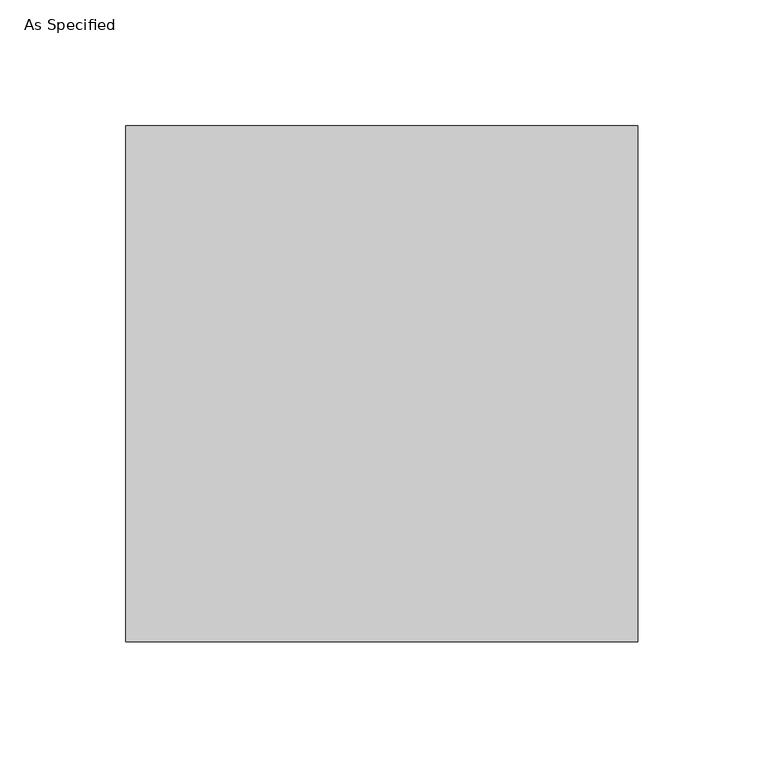
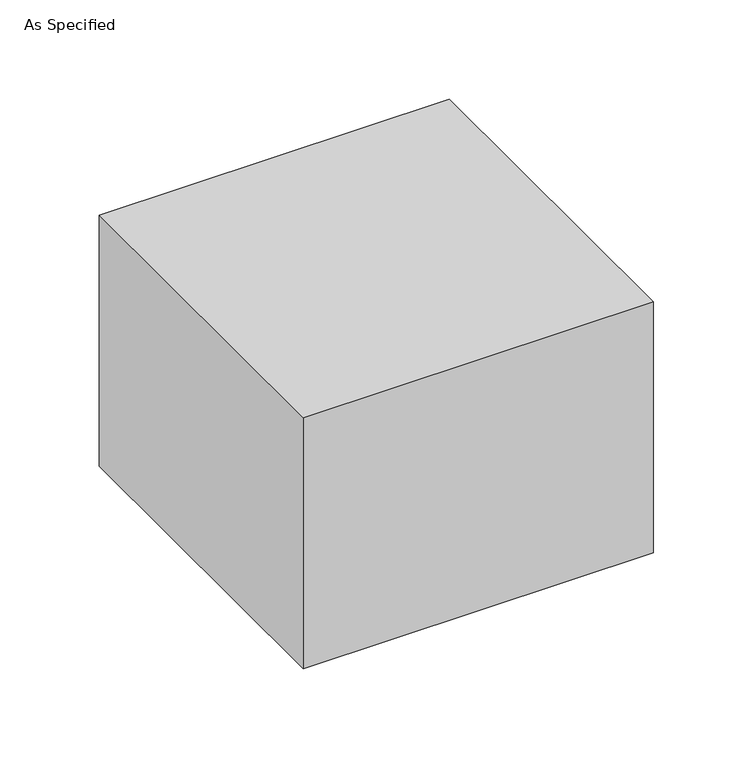
"""IFC4 building model written with IfcOpenShell, lengths in millimetres: proxy geometry, As Specified."""

from ifc_helpers import new_model, si_unit, origin, place, context, project, spatial, faceted_brep, source, transform, mapped, element, save


def as_specified_1fd269d8(model_context):
    return source(origin(), model_context, "Body", "Brep", [
        faceted_brep([(203.2, 204.7875, 153.9875), (0.0, 204.7875, 153.9875), (0.0, 0.0, 153.9875), (203.2, 0.0, 153.9875), (203.2, 204.7875, 152.4), (203.2, 1.5875, 152.4), (1.5875, 1.5875, 152.4), (1.5875, 204.7875, 152.4), (1.5875, 204.7875, 0.0), (0.0, 204.7875, 0.0), (0.0, 0.0, 0.0), (203.2, 0.0, 0.0), (203.2, 1.5875, 0.0), (1.5875, 1.5875, 0.0)], [[[0, 1, 2, 3]], [[4, 5, 6, 7]], [[1, 0, 4, 7, 8, 9]], [[2, 1, 9, 10]], [[3, 2, 10, 11]], [[0, 3, 11, 12, 5, 4]], [[10, 9, 8, 13, 12, 11]], [[12, 13, 6, 5]], [[13, 8, 7, 6]]]),
    ])


if __name__ == "__main__":
    model = new_model("IFC4")
    model_context = context("Model", 3, world=origin())
    ifc_project = project(units=[si_unit("LENGTHUNIT", "METRE", prefix="MILLI")], contexts=[model_context])
    site = spatial("IfcSite", under=ifc_project)
    building = spatial("IfcBuilding", under=site)
    placement = place(None, origin())
    as_specified_shape = as_specified_1fd269d8(model_context)
    element("IfcBuildingElementProxy", 1, Name="As Specified", ObjectType="As Specified", at=placement, inside=building, context=model_context, shape_type="MappedRepresentation", body=[
        mapped(as_specified_shape, transform((0.0, 0.0, 0.0), x_axis=(1.0, 0.0, 0.0), y_axis=(0.0, 1.0, 0.0), z_axis=(0.0, 0.0, 1.0))),
    ])
    save(model, "model.ifc")
